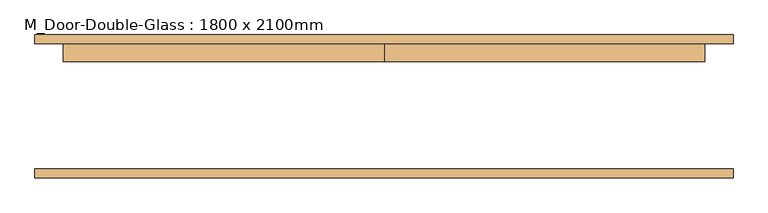
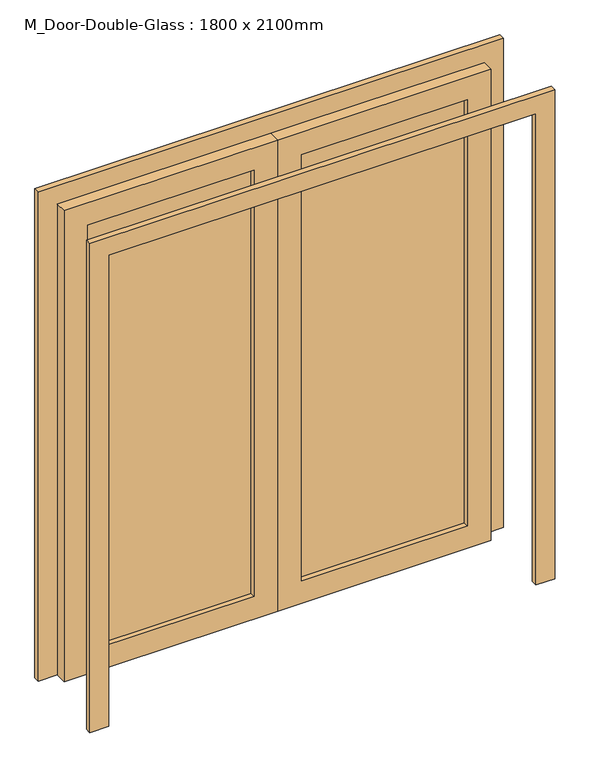
"""IFC4 building model written with IfcOpenShell, lengths in millimetres: door geometry, M_Door-Double-Glass : 1800 x 2100mm."""

from ifc_helpers import new_model, si_unit, frame, origin, place, context, project, spatial, polyline, outline, extrude, source, transform, mapped, element, save


def m_door_double_glass_1800_x_2100mm_5b53b68c(model_context):
    return source(origin(), model_context, "Body", "SweptSolid", [
        extrude(outline(polyline([(2100.0, -900.0), (0.0, -900.0), (0.0, 0.0), (2100.0, 0.0), (2100.0, -900.0)]), holes=[polyline([(2000.0, -800.0), (2000.0, -100.0), (100.0, -100.0), (100.0, -800.0), (2000.0, -800.0)])]), frame((0.0, 128.38125, 0.0), z_axis=(0.0, 1.0, 0.0), x_axis=(0.0, 0.0, 1.0)), (0.0, 0.0, 1.0), 50.0),
        extrude(outline(polyline([(2100.0, 900.0), (2100.0, 0.0), (0.0, 0.0), (0.0, 900.0), (2100.0, 900.0)]), holes=[polyline([(2000.0, 800.0), (100.0, 800.0), (100.0, 100.0), (2000.0, 100.0), (2000.0, 800.0)])]), frame((0.0, 128.38125, 0.0), z_axis=(0.0, 1.0, 0.0), x_axis=(0.0, 0.0, 1.0)), (0.0, 0.0, 1.0), 50.0),
        extrude(outline(polyline([(100.0, 156.55625), (800.0, 156.55625), (800.0, 150.20625), (100.0, 150.20625), (100.0, 156.55625)])), frame((0.0, 0.0, 100.0), z_axis=(0.0, 0.0, 1.0), x_axis=(1.0, 0.0, 0.0)), (0.0, 0.0, 1.0), 1900.0),
        extrude(outline(polyline([(-800.0, 156.55625), (-100.0, 156.55625), (-100.0, 150.20625), (-800.0, 150.20625), (-800.0, 156.55625)])), frame((0.0, 0.0, 100.0), z_axis=(0.0, 0.0, 1.0), x_axis=(1.0, 0.0, 0.0)), (0.0, 0.0, 1.0), 1900.0),
        extrude(outline(polyline([(0.0, 980.0), (2180.0, 980.0), (2180.0, -980.0), (0.0, -980.0), (0.0, -900.0), (2100.0, -900.0), (2100.0, 900.0), (0.0, 900.0), (0.0, 980.0)])), frame((0.0, 178.38125, 0.0), z_axis=(0.0, 1.0, 0.0), x_axis=(0.0, 0.0, 1.0)), (0.0, 0.0, 1.0), 25.0),
        extrude(outline(polyline([(0.0, 980.0), (2180.0, 980.0), (2180.0, -980.0), (0.0, -980.0), (0.0, -900.0), (2100.0, -900.0), (2100.0, 900.0), (0.0, 900.0), (0.0, 980.0)])), frame((0.0, -198.61875, 0.0), z_axis=(0.0, 1.0, 0.0), x_axis=(0.0, 0.0, 1.0)), (0.0, 0.0, 1.0), 25.0),
    ])


if __name__ == "__main__":
    model = new_model("IFC4")
    model_context = context("Model", 3, world=origin())
    ifc_project = project(units=[si_unit("LENGTHUNIT", "METRE", prefix="MILLI")], contexts=[model_context])
    site = spatial("IfcSite", under=ifc_project)
    building = spatial("IfcBuilding", under=site)
    placement = place(None, origin())
    m_door_double_glass_1800_x_2100mm_shape = m_door_double_glass_1800_x_2100mm_5b53b68c(model_context)
    element("IfcDoor", 1, ObjectType="M_Door-Double-Glass : 1800 x 2100mm", at=placement, inside=building, context=model_context, shape_type="MappedRepresentation", body=[
        mapped(m_door_double_glass_1800_x_2100mm_shape, transform((0.0, 0.0, 0.0), x_axis=(1.0, 0.0, 0.0), y_axis=(0.0, 1.0, 0.0), z_axis=(0.0, 0.0, 1.0))),
    ])
    save(model, "model.ifc")
